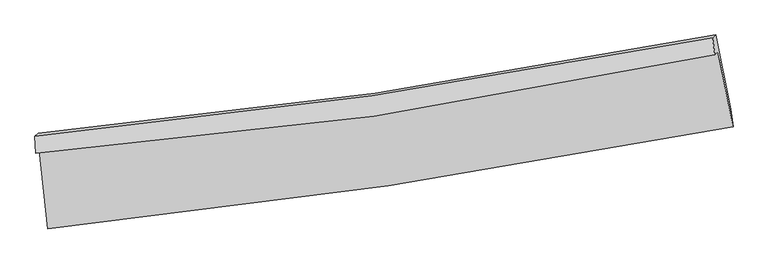
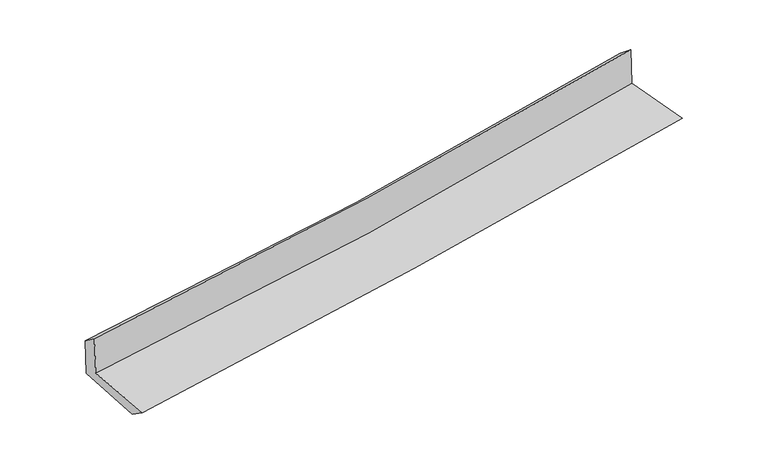
"""IFC4 building model written with IfcOpenShell, lengths in millimetres: proxy geometry."""

from ifc_helpers import new_model, si_unit, frame, origin, place, context, project, spatial, source, transform, mapped, element, save
from ifc_brep_helpers import plane_surface, spline_curve, spline_surface, advanced_brep


def generic_models_caf2f72a(model_context):
    return source(origin(), model_context, "Body", "AdvancedBrep", [
        advanced_brep(
        [(-3012.950762, -1898.2841382, 1634.5534796), (-2937.2739794, -2591.9766706, 1604.2771772), (3105.4975081, -1693.3052574, 2124.0031294), (2972.3923153, -1030.1761424, 2148.2472873), (-3042.3658395, -1925.3797213, 2036.920464), (2944.067522, -1056.2674145, 2535.7003431), (-3049.2480582, -1774.2590149, 1923.7896282), (2924.8700616, -906.6929652, 2415.8862839), (-3021.8085208, -1748.9831929, 1548.4459326), (2950.5314847, -883.0550462, 2064.8653019), (-2945.160248, -2427.3612012, 1485.8994308), (3084.7310648, -1537.7233285, 2008.6113194)],
        [
            (0, 1),
            (1, 2, spline_curve(3, [(-2937.2739794, -2591.9766706, 1604.2771772), (-1933.956614345, -2487.066483372, 1703.939630292), (-933.084388418, -2360.561464326, 1796.76519291), (1081.259187006, -2061.767504529, 1970.248797871), (2094.644124013, -1888.715385787, 2050.665219116), (3105.4975081, -1693.3052574, 2124.0031294)], [4, 2, 4], [0.0, 9.92456932986869, 20.022986902527485])),
            (2, 3),
            (3, 0, spline_curve(3, [(2972.3923153, -1030.1761424, 2148.2472873), (1975.292393942, -1245.702971286, 2074.967442244), (973.593646348, -1426.134738568, 1995.09124675), (-1021.67769099, -1714.306120706, 1823.634815035), (-2015.093302494, -1823.243685456, 1732.279741183), (-3012.950762, -1898.2841382, 1634.5534796)], [4, 2, 4], [0.0, 10.098417572658795, 20.022986902527485])),
            (4, 0),
            (3, 5),
            (5, 4, spline_curve(3, [(2944.067522, -1056.2674145, 2535.7003431), (1946.420265197, -1272.298419364, 2469.907465249), (944.357784224, -1453.065237787, 2395.006753818), (-1051.270713842, -1741.565617587, 2228.435903434), (-2044.686020221, -1850.502901176, 2137.076655283), (-3042.3658395, -1925.3797213, 2036.920464)], [4, 2, 4], [0.0, 10.049541791490025, 19.926076756046445])),
            (6, 4),
            (5, 7),
            (7, 6, spline_curve(3, [(2924.8700616, -906.6929652, 2415.8862839), (1928.545606534, -1104.184500435, 2328.7692268), (928.182952397, -1275.630965757, 2243.865646776), (-1063.327595442, -1563.93061584, 2079.908984167), (-2054.33764827, -1681.6728335, 2000.780345305), (-3049.2480582, -1774.2590149, 1923.7896282)], [4, 2, 4], [0.0, 10.037207255456932, 19.901620027884597])),
            (8, 6),
            (7, 9),
            (9, 8, spline_curve(3, [(2950.5314847, -883.0550462, 2064.8653019), (1953.633545296, -1081.074844032, 1985.592901118), (953.137399036, -1252.644275414, 1902.51535149), (-1037.765425398, -1540.384123228, 1730.245675237), (-2028.049281293, -1657.457407278, 1641.183434926), (-3021.8085208, -1748.9831929, 1548.4459326)], [4, 2, 4], [0.0, 10.025942562048323, 19.87928456720883])),
            (10, 8),
            (9, 11),
            (11, 10, spline_curve(3, [(3084.7310648, -1537.7233285, 2008.6113194), (2076.090113919, -1728.699160886, 1929.256661515), (1064.893856367, -1898.787457905, 1845.604818825), (-945.157138621, -2194.620431515, 1671.220840587), (-1943.924651932, -2321.078092059, 1580.635387154), (-2945.160248, -2427.3612012, 1485.8994308)], [4, 2, 4], [0.0, 10.075519581621679, 19.97758511840324])),
            (1, 10),
            (11, 2),
        ],
        [
            spline_surface(3, 3, [[(-3012.950762, -1898.2841382, 1634.5534796), (-2015.093302618, -1823.243685548, 1732.27974107), (-1021.677690992, -1714.306120824, 1823.634814977), (973.59364635, -1426.134738448, 1995.091246809), (1975.292393853, -1245.702971221, 2074.967442099), (2972.3923153, -1030.1761424, 2148.2472873)], [(-2987.72516781, -2129.514982352, 1624.461378802), (-1988.047739824, -2044.517951527, 1722.83303744), (-992.146590164, -1929.724568725, 1814.678274291), (1009.482159919, -1638.012327113, 1986.810430492), (2015.076303853, -1460.040442686, 2066.866701113), (3016.76071289, -1251.219180722, 2140.165901326)], [(-2962.49957359, -2360.745826448, 1614.369277998), (-1961.002177001, -2265.792217449, 1713.386333806), (-962.615489315, -2145.143016567, 1805.721733607), (1045.370673508, -1849.889915719, 1978.529614177), (2054.860213885, -1674.377914186, 2058.76596015), (3061.12911051, -1472.262219078, 2132.084515374)], [(-2937.2739794, -2591.9766706, 1604.2771772), (-1933.956614207, -2487.066483428, 1703.939630176), (-933.084388487, -2360.561464469, 1796.765192921), (1081.259187076, -2061.767504384, 1970.248797861), (2094.644123885, -1888.715385652, 2050.665219165), (3105.4975081, -1693.3052574, 2124.0031294)]], [4, 4], [4, 2, 4], [0.0, 2.1288184689232463], [0.0, 9.92456932986869, 20.022986902527485]),
            spline_surface(3, 3, [[(-3042.3658395, -1925.3797213, 2036.920464), (-2044.686020375, -1850.502901272, 2137.076655301), (-1051.270713935, -1741.56561756, 2228.435903463), (944.357784319, -1453.065237815, 2395.006753789), (1946.420265072, -1272.298419248, 2469.907465306), (2944.067522, -1056.2674145, 2535.7003431)], [(-3032.56081365, -1916.347860272, 1902.79813586), (-2034.821781106, -1841.416496036, 2002.144350551), (-1041.406372948, -1732.479118625, 2093.502207305), (954.103071669, -1444.08840467, 2261.7015848), (1956.044308014, -1263.433269913, 2338.260790904), (2953.509119782, -1047.570323808, 2406.549324501)], [(-3022.75578785, -1907.315999228, 1768.67580774), (-2024.957541886, -1832.330090784, 1867.212045821), (-1031.54203198, -1723.392619758, 1958.568511135), (963.848359, -1435.111571593, 2128.396415799), (1965.66835091, -1254.568120555, 2206.614116501), (2962.950717518, -1038.873233092, 2277.398305899)], [(-3012.950762, -1898.2841382, 1634.5534796), (-2015.093302618, -1823.243685548, 1732.27974107), (-1021.677690992, -1714.306120824, 1823.634814977), (973.59364635, -1426.134738448, 1995.091246809), (1975.292393853, -1245.702971221, 2074.967442099), (2972.3923153, -1030.1761424, 2148.2472873)]], [4, 4], [4, 2, 4], [0.0, 1.3264359984072989], [0.0, 9.87653496455642, 19.926076756046445]),
            spline_surface(3, 3, [[(-3049.2480582, -1774.2590149, 1923.7896282), (-2054.33764839, -1681.672833422, 2000.780345439), (-1063.327595601, -1563.930615759, 2079.908984075), (928.182952558, -1275.630965839, 2243.86564687), (1928.545606384, -1104.184500285, 2328.76922683), (2924.8700616, -906.6929652, 2415.8862839)], [(-3046.953985313, -1824.632583693, 1961.499906788), (-2051.120439065, -1737.949522698, 2046.212448715), (-1059.308635033, -1623.142283027, 2129.417957196), (933.574563158, -1334.775723164, 2294.246015835), (1934.503825928, -1160.22247328, 2375.815306336), (2931.269215049, -956.551114974, 2455.824303647)], [(-3044.659912387, -1875.006152507, 1999.210185412), (-2047.9032297, -1794.226211996, 2091.644552025), (-1055.289674503, -1682.353950292, 2178.926930342), (938.96617372, -1393.920480489, 2344.626384824), (1940.462045527, -1216.260446253, 2422.8613858), (2937.668368551, -1006.409264726, 2495.762323353)], [(-3042.3658395, -1925.3797213, 2036.920464), (-2044.686020375, -1850.502901272, 2137.076655301), (-1051.270713935, -1741.56561756, 2228.435903463), (944.357784319, -1453.065237815, 2395.006753789), (1946.420265072, -1272.298419248, 2469.907465306), (2944.067522, -1056.2674145, 2535.7003431)]], [4, 4], [4, 2, 4], [0.0, 0.7636238275076745], [0.0, 9.864412772427665, 19.901620027884597]),
            spline_surface(3, 3, [[(-3021.8085208, -1748.9831929, 1548.4459326), (-2028.04928125, -1657.457407383, 1641.183434981), (-1037.765425429, -1540.38412315, 1730.2456752), (953.137399067, -1252.644275494, 1902.515351528), (1953.63354513, -1081.074844145, 1985.59290103), (2950.5314847, -883.0550462, 2064.8653019)], [(-3030.955033265, -1757.408466912, 1673.560497823), (-2036.812070295, -1665.529216075, 1761.049071823), (-1046.286148836, -1548.23295403, 1846.800111489), (944.819250215, -1260.306505619, 2016.298783306), (1945.2708989, -1088.778062854, 2099.985009615), (2941.977677019, -890.934352529, 2181.872295885)], [(-3040.101545735, -1765.833740888, 1798.675062977), (-2045.574859345, -1673.601024731, 1880.914708597), (-1054.806872194, -1556.081784879, 1963.354547785), (936.501101411, -1267.968735713, 2130.082215091), (1936.908252613, -1096.481281576, 2214.377118244), (2933.423869281, -898.813658871, 2298.879289915)], [(-3049.2480582, -1774.2590149, 1923.7896282), (-2054.33764839, -1681.672833422, 2000.780345439), (-1063.327595601, -1563.930615759, 2079.908984075), (928.182952558, -1275.630965839, 2243.86564687), (1928.545606384, -1104.184500285, 2328.76922683), (2924.8700616, -906.6929652, 2415.8862839)]], [4, 4], [4, 2, 4], [0.0, 1.1389044176994942], [0.0, 9.853342005160508, 19.87928456720883]),
            spline_surface(3, 3, [[(-2945.160248, -2427.3612012, 1485.8994308), (-1943.924651982, -2321.078092074, 1580.635387257), (-945.157138539, -2194.620431547, 1671.220840637), (1064.893856283, -1898.787457872, 1845.604818774), (2076.090113802, -1728.699160821, 1929.256661543), (3084.7310648, -1537.7233285, 2008.6113194)], [(-2970.709672269, -2201.235198423, 1506.748264732), (-1971.966195074, -2099.871197166, 1600.81806983), (-976.026567511, -1976.541662074, 1690.895785488), (1027.64170387, -1683.406397072, 1864.574996355), (2035.271257564, -1512.824388587, 1948.035408035), (3039.99787142, -1319.500567725, 2027.362646897)], [(-2996.259096531, -1975.109195677, 1527.597098668), (-2000.007738158, -1878.664302291, 1621.000752407), (-1006.895996457, -1758.462892623, 1710.570730349), (990.389551481, -1468.025336293, 1883.545173947), (1994.452401367, -1296.949616378, 1966.814154538), (2995.26467808, -1101.277806975, 2046.113974403)], [(-3021.8085208, -1748.9831929, 1548.4459326), (-2028.04928125, -1657.457407383, 1641.183434981), (-1037.765425429, -1540.38412315, 1730.2456752), (953.137399067, -1252.644275494, 1902.515351528), (1953.63354513, -1081.074844145, 1985.59290103), (2950.5314847, -883.0550462, 2064.8653019)]], [4, 4], [4, 2, 4], [0.0, 2.16756619751715], [0.0, 9.902065536781562, 19.97758511840324]),
            spline_surface(3, 3, [[(-2937.2739794, -2591.9766706, 1604.2771772), (-1933.956614207, -2487.066483428, 1703.939630176), (-933.084388487, -2360.561464469, 1796.765192921), (1081.259187076, -2061.767504384, 1970.248797861), (2094.644123885, -1888.715385652, 2050.665219165), (3105.4975081, -1693.3052574, 2124.0031294)], [(-2939.902735593, -2537.104847449, 1564.817928395), (-1937.279293458, -2431.737019626, 1662.838215865), (-937.108638492, -2305.247786827, 1754.917075503), (1075.804076824, -2007.440822212, 1928.700804842), (2088.459453865, -1835.37664405, 2010.195699969), (3098.575360341, -1641.444614442, 2085.539192745)], [(-2942.531491807, -2482.233024351, 1525.358679605), (-1940.601972731, -2376.407555876, 1621.736801568), (-941.132888534, -2249.934109189, 1713.068958054), (1070.348966535, -1953.114140043, 1887.152811792), (2082.274783822, -1782.037902423, 1969.726180739), (3091.653212559, -1589.583971458, 2047.075256055)], [(-2945.160248, -2427.3612012, 1485.8994308), (-1943.924651982, -2321.078092074, 1580.635387257), (-945.157138539, -2194.620431547, 1671.220840637), (1064.893856283, -1898.787457872, 1845.604818774), (2076.090113802, -1728.699160821, 1929.256661543), (3084.7310648, -1537.7233285, 2008.6113194)]], [4, 4], [4, 2, 4], [0.0, 0.6794459306763523], [0.0, 9.96215225073351, 20.098811082622657]),
            plane_surface(frame((2997.0149927, -1184.5366924, 2216.2189442), z_axis=(0.9775315966293523, 0.19312481002782053, 0.08446765856224199), x_axis=(-0.07274664493326188, -0.06701028609159601, 0.9950967526873337))),
            plane_surface(frame((-3001.4679013, -2061.0406565, 1705.6476854), z_axis=(-0.991322199515409, -0.10467535958057969, -0.07951959409232336), x_axis=(-0.10834732354772927, 0.9931676097141213, 0.04334693178048973))),
        ],
        [
            (0, [[1, 2, 3, 4]]),
            (1, [[5, -4, 6, 7]]),
            (2, [[8, -7, 9, 10]]),
            (3, [[11, -10, 12, 13]]),
            (4, [[14, -13, 15, 16]]),
            (5, [[17, -16, 18, -2]]),
            (6, [[-12, -9, -6, -3, -18, -15]]),
            (7, [[-1, -5, -8, -11, -14, -17]]),
        ],
    ),
    ])


if __name__ == "__main__":
    model = new_model("IFC4")
    model_context = context("Model", 3, world=origin())
    ifc_project = project(units=[si_unit("LENGTHUNIT", "METRE", prefix="MILLI")], contexts=[model_context])
    site = spatial("IfcSite", under=ifc_project)
    building = spatial("IfcBuilding", under=site)
    placement = place(None, origin())
    generic_models_shape = generic_models_caf2f72a(model_context)
    element("IfcBuildingElementProxy", 1, Name="Generic Models", at=placement, inside=building, context=model_context, shape_type="MappedRepresentation", body=[
        mapped(generic_models_shape, transform((0.0, 0.0, 0.0), x_axis=(1.0, 0.0, 0.0), y_axis=(0.0, 1.0, 0.0), z_axis=(0.0, 0.0, 1.0))),
    ])
    save(model, "model.ifc")
